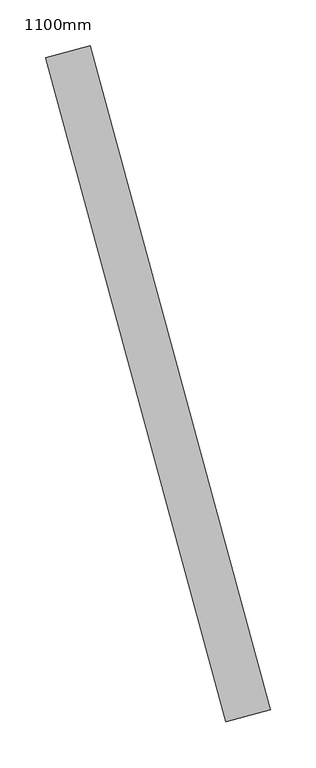
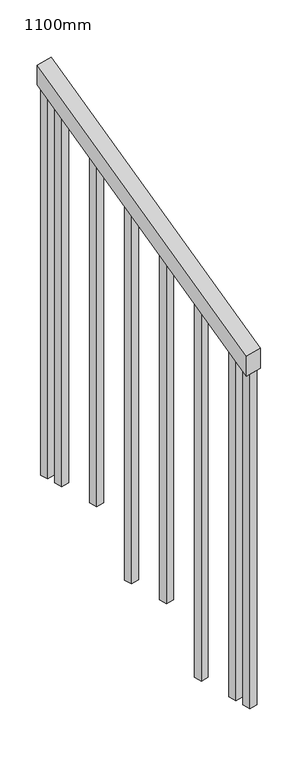
"""IFC4 building model written with IfcOpenShell, lengths in millimetres: railing geometry, 1100mm."""

from ifc_helpers import new_model, si_unit, frame, origin, place, context, project, spatial, polyline, outline, extrude, source, transform, mapped, element, save


def railing_1100mm_89b02f37(model_context):
    return source(origin(), model_context, "Body", "SweptSolid", [
        extrude(outline(polyline([(-35.5555555, -50.0), (0.0, 0.0), (920.2958462, 0.0), (884.7402906, -50.0), (-35.5555555, -50.0)])), frame((50277.1244586, 41153.1257128, 1277.7777778), z_axis=(0.9649894123601837, 0.26228883703418915, 0.0), x_axis=(-0.2137536843159581, 0.7864232597554026, 0.5795237863600082)), (0.0, 0.0, 1.0), 50.0),
        extrude(outline(polyline([(1271.980277, -25.0000001), (108.8888889, -25.0000001), (91.1111112, 0.0), (1271.980277, 0.0), (1271.980277, -25.0000001)])), frame((50105.5846403, 41831.896912, 1805.3136103), z_axis=(0.9649894123601837, 0.26228883703418915, 0.0), x_axis=(0.0, 0.0, -1.0)), (0.0, 0.0, 1.0), 25.0),
        extrude(outline(polyline([(1183.0913881, -25.0), (108.8888889, -25.0), (91.1111111, 0.0), (1183.0913881, 0.0), (1183.0913881, -25.0)])), frame((50138.3707449, 41711.2732354, 1716.4247214), z_axis=(0.9649894123601837, 0.26228883703418915, 0.0), x_axis=(0.0, 0.0, -1.0)), (0.0, 0.0, 1.0), 25.0),
        extrude(outline(polyline([(1271.9802769, -25.0), (108.8888889, -25.0), (91.1111111, 0.0), (1271.9802769, 0.0), (1271.9802769, -25.0)])), frame((50171.1568496, 41590.6495589, 1627.5358325), z_axis=(0.9649894123601837, 0.26228883703418915, 0.0), x_axis=(0.0, 0.0, -1.0)), (0.0, 0.0, 1.0), 25.0),
        extrude(outline(polyline([(1183.091388, -25.0), (108.8888889, -25.0), (91.1111111, 0.0), (1183.091388, 0.0), (1183.091388, -25.0)])), frame((50203.9429542, 41470.0258823, 1538.6469436), z_axis=(0.9649894123601837, 0.26228883703418915, 0.0), x_axis=(0.0, 0.0, -1.0)), (0.0, 0.0, 1.0), 25.0),
        extrude(outline(polyline([(1271.9802769, -25.0), (108.8888889, -25.0), (91.1111111, 0.0), (1271.9802769, 0.0), (1271.9802769, -25.0)])), frame((50236.7290588, 41349.4022058, 1449.7580547), z_axis=(0.9649894123601837, 0.26228883703418915, 0.0), x_axis=(0.0, 0.0, -1.0)), (0.0, 0.0, 1.0), 25.0),
        extrude(outline(polyline([(1183.091388, -25.0), (108.8888889, -25.0), (91.1111111, 0.0), (1183.091388, 0.0), (1183.091388, -25.0)])), frame((50269.5151634, 41228.7785292, 1360.8691658), z_axis=(0.9649894123601837, 0.26228883703418915, 0.0), x_axis=(0.0, 0.0, -1.0)), (0.0, 0.0, 1.0), 25.0),
        extrude(outline(polyline([(1307.5358325, -25.0), (108.8888889, -25.0), (91.1111111, 0.0), (1307.5358325, 0.0), (1307.5358325, -25.0)])), frame((50092.4701984, 41880.1463826, 1840.8691658), z_axis=(0.9649894123601837, 0.26228883703418915, 0.0), x_axis=(0.0, 0.0, -1.0)), (0.0, 0.0, 1.0), 25.0),
        extrude(outline(polyline([(1147.5358325, -25.0), (108.8888889, -25.0), (91.1111112, 0.0), (1147.5358325, 0.0), (1147.5358325, -25.0)])), frame((50282.6296053, 41180.5290586, 1325.3136103), z_axis=(0.9649894123601837, 0.26228883703418915, 0.0), x_axis=(0.0, 0.0, -1.0)), (0.0, 0.0, 1.0), 25.0),
    ])


if __name__ == "__main__":
    model = new_model("IFC4")
    model_context = context("Model", 3, world=origin())
    ifc_project = project(units=[si_unit("LENGTHUNIT", "METRE", prefix="MILLI")], contexts=[model_context])
    site = spatial("IfcSite", under=ifc_project)
    building = spatial("IfcBuilding", under=site)
    placement = place(None, origin())
    railing_1100mm_shape = railing_1100mm_89b02f37(model_context)
    element("IfcRailing", 1, ObjectType="1100mm", at=placement, inside=building, context=model_context, shape_type="MappedRepresentation", body=[
        mapped(railing_1100mm_shape, transform((0.0, 0.0, 0.0), x_axis=(1.0, 0.0, 0.0), y_axis=(0.0, 1.0, 0.0), z_axis=(0.0, 0.0, 1.0))),
    ])
    save(model, "model.ifc")
